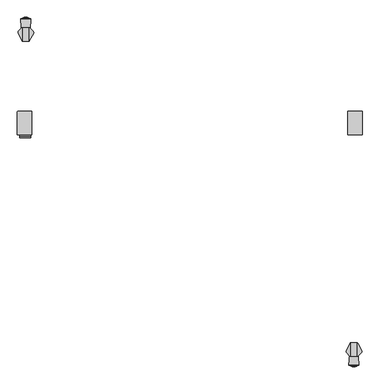
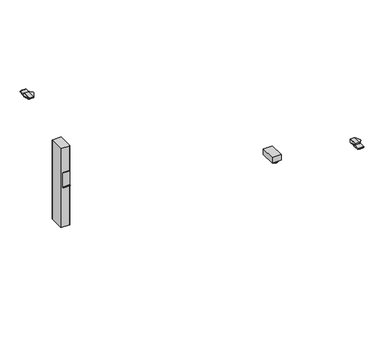
"""IFC4 building model written with IfcOpenShell, lengths in millimetres: furniture geometry."""

from ifc_helpers import new_model, si_unit, point, frame, frame_2d, origin, place, context, project, spatial, polyline, circle_curve, ellipse_curve, trimmed, segment, composite_curve, outline, extrude, faceted_brep, source, transform, mapped, element, save
from ifc_brep_helpers import plane_surface, cylinder_surface, revolved_surface, advanced_brep


def furniture_ce38fd53(model_context):
    return source(origin(), model_context, "Body", "SolidModel", [
        advanced_brep(
        [(696.976, 671.3030475, 10.2361894), (696.976, 657.2832975, 10.2361894), (696.976, 657.6704727, 8.7946116), (696.976, 670.9158723, 8.7946116), (696.976, 664.2931725, 10.2361894), (696.976, 685.2500609, 0.0), (696.976, 643.3362842, 0.0), (696.976, 664.2931725, 0.0), (696.976, 686.7937912, 1.5436985), (696.976, 641.7925538, 1.5436985), (696.976, 686.7937365, 4.1072626), (696.976, 641.7926085, 4.1072626), (696.976, 685.2538961, 5.9174378), (696.976, 643.3324489, 5.9174378)],
        [
            (0, 1, circle_curve(frame((696.976, 664.2931725, 10.2361894), z_axis=(0.0, 0.0, -1.0), x_axis=(0.0, -1.0000000000000004, 0.0)), 7.009875)),
            (1, 2),
            (2, 3, circle_curve(frame((696.976, 664.2931725, 8.7946116), z_axis=(0.0, 0.0, 1.0), x_axis=(0.0, -1.0000000000000004, 0.0)), 6.6226998)),
            (3, 0),
            (1, 0, circle_curve(frame((696.976, 664.2931725, 10.2361894), z_axis=(0.0, 0.0, -1.0), x_axis=(0.0, -1.0000000000000004, 0.0)), 7.009875)),
            (3, 2, circle_curve(frame((696.976, 664.2931725, 8.7946116), z_axis=(0.0, 0.0, 1.0), x_axis=(0.0, -1.0000000000000004, 0.0)), 6.6226998)),
            (4, 1),
            (0, 4),
            (5, 6, circle_curve(frame((696.976, 664.2931725, 0.0), z_axis=(0.0, 0.0, -1.0), x_axis=(0.0, -1.0000000000000004, 0.0)), 20.9568884)),
            (6, 7),
            (7, 5),
            (6, 5, circle_curve(frame((696.976, 664.2931725, 0.0), z_axis=(0.0, 0.0, -1.0), x_axis=(0.0, -1.0000000000000004, 0.0)), 20.9568884)),
            (8, 9, circle_curve(frame((696.976, 664.2931725, 1.5436985), z_axis=(0.0, 0.0, -1.0), x_axis=(0.0, -1.0000000000000004, 0.0)), 22.5006187)),
            (9, 6),
            (5, 8),
            (9, 8, circle_curve(frame((696.976, 664.2931725, 1.5436985), z_axis=(0.0, 0.0, -1.0), x_axis=(0.0, -1.0000000000000004, 0.0)), 22.5006187)),
            (10, 11, circle_curve(frame((696.976, 664.2931725, 4.1072626), z_axis=(0.0, 0.0, -1.0), x_axis=(0.0, -1.0000000000000004, 0.0)), 22.500564)),
            (11, 9),
            (8, 10),
            (11, 10, circle_curve(frame((696.976, 664.2931725, 4.1072626), z_axis=(0.0, 0.0, -1.0), x_axis=(0.0, -1.0000000000000004, 0.0)), 22.500564)),
            (12, 13, circle_curve(frame((696.976, 664.2931725, 5.9174378), z_axis=(0.0, 0.0, -1.0), x_axis=(0.0, -1.0000000000000004, 0.0)), 20.9607236)),
            (13, 11),
            (10, 12),
            (13, 12, circle_curve(frame((696.976, 664.2931725, 5.9174378), z_axis=(0.0, 0.0, -1.0), x_axis=(0.0, -1.0000000000000004, 0.0)), 20.9607236)),
            (2, 13),
            (12, 3),
        ],
        [
            revolved_surface(polyline([(696.976, 657.6704727, 8.7946116), (696.976, 657.2832975, 10.2361894)]), (696.976, 664.2931725, 0.0), (0.0, 0.0, 1.0)),
            plane_surface(frame((696.976, 664.2931725, 10.2361894), z_axis=(0.0, 0.0, 1.0), x_axis=(0.0, -1.0, 0.0))),
            plane_surface(frame((696.976, 664.2931725, 0.0), z_axis=(0.0, 0.0, -1.0), x_axis=(0.0, -1.0, 0.0))),
            revolved_surface(polyline([(696.976, 643.3362842, 0.0), (696.976, 641.7925538, 1.5436985)]), (696.976, 664.2931725, 0.0), (0.0, 0.0, 1.0)),
            cylinder_surface(frame((696.976, 664.2931725, 0.0), z_axis=(0.0, 0.0, 1.0), x_axis=(0.0, -1.0000000000000004, 0.0)), 22.500564),
            revolved_surface(polyline([(696.976, 641.792463, 4.1072626), (696.976, 643.3324489, 5.9174378)]), (696.976, 664.2931725, 0.0), (0.0, 0.0, 1.0)),
            revolved_surface(polyline([(696.976, 643.3324489, 5.9174378), (696.976, 657.6704727, 8.7946116)]), (696.976, 664.2931725, 0.0), (0.0, 0.0, 1.0)),
        ],
        [
            (0, [[1, 2, 3, 4]]),
            (0, [[5, -4, 6, -2]]),
            (1, [[7, -1, 8]]),
            (1, [[-8, -5, -7]]),
            (2, [[9, 10, 11]]),
            (2, [[12, -11, -10]]),
            (3, [[13, 14, -9, 15]]),
            (3, [[16, -15, -12, -14]]),
            (4, [[17, 18, -13, 19]]),
            (4, [[20, -19, -16, -18]]),
            (5, [[21, 22, -17, 23]]),
            (5, [[24, -23, -20, -22]]),
            (6, [[-3, 25, -21, 26]]),
            (6, [[-6, -26, -24, -25]]),
        ],
    ),
        extrude(outline(polyline([(667.0675, 639.5370001), (667.0675, 738.9199959), (726.8845, 738.9199959), (726.8845, 639.5370001), (667.0675, 639.5370001)])), frame((0.0, 0.0, 10.2361894), z_axis=(0.0, 0.0, 1.0), x_axis=(1.0, 0.0, 0.0)), (0.0, 0.0, 1.0), 37.8638679),
        extrude(outline(composite_curve([segment(trimmed(circle_curve(frame_2d((-724.5521079, 641.6631049)), 2.3323921), [point((-724.5521079, 639.3307128))], [point((-726.8845, 641.6631049))], False, "CARTESIAN"), True, "CONTINUOUS"), segment(polyline([(-726.8845, 641.6631049), (-726.8845, 736.9473207)]), True, "CONTINUOUS"), segment(trimmed(circle_curve(frame_2d((-724.5521079, 736.9473207)), 2.3323921), [point((-726.8845, 736.9473207))], [point((-724.5521079, 739.2797128))], False, "CARTESIAN"), True, "CONTINUOUS"), segment(polyline([(-724.5521079, 739.2797128), (-669.3998921, 739.2797128)]), True, "CONTINUOUS"), segment(trimmed(circle_curve(frame_2d((-669.3998921, 736.9473207)), 2.3323921), [point((-669.3998921, 739.2797128))], [point((-667.0675, 736.9473207))], False, "CARTESIAN"), True, "CONTINUOUS"), segment(polyline([(-667.0675, 736.9473207), (-667.0675, 641.6631049)]), True, "CONTINUOUS"), segment(trimmed(circle_curve(frame_2d((-669.3998921, 641.6631049)), 2.3323921), [point((-667.0675, 641.6631049))], [point((-669.3998921, 639.3307128))], False, "CARTESIAN"), True, "CONTINUOUS"), segment(polyline([(-669.3998921, 639.3307128), (-724.5521079, 639.3307128)]), True, "CONTINUOUS")], self_intersect=False)), frame((0.0, 0.0, 48.1000573), z_axis=(0.0, 0.0, 1.0), x_axis=(1.0, 0.0, 0.0)), (0.0, 0.0, 1.0), 550.9989485),
        advanced_brep(
        [(-677.6331697, 1035.3628978, 707.009), (-677.6331697, 1035.3628978, 699.7601819), (-676.51166, 1035.3628978, 699.6867914), (-676.51166, 1035.3628978, 707.009), (-673.3278093, 1090.8360352, 703.3228106), (-673.4778673, 1090.8360352, 701.0297138), (-673.8572398, 1090.8360352, 699.5130886), (-677.6331697, 1090.8360352, 699.7601819), (-677.6331697, 1090.8360352, 707.009), (-672.9573081, 1090.8360352, 707.009), (-672.9573081, 1090.8360352, 703.6693631), (-659.2556977, 1066.9139656, 707.009), (-659.2556977, 1072.0993849, 707.009), (-661.1637879, 1075.6879807, 707.009), (-672.9573081, 1088.8863381, 707.009), (-659.5338057, 1066.4054686, 706.0591307), (-659.5338057, 1073.0132102, 706.0591307), (-660.124758, 1065.3249623, 705.2654291), (-660.124758, 1074.2706593, 705.2654291), (-661.0021754, 1063.7206789, 704.7271625), (-661.0021754, 1075.5057944, 704.7271625), (-663.834924, 1058.5412376, 704.5095886), (-663.834924, 1078.6773009, 704.5095886), (-661.1637879, 1075.6879807, 704.7147496), (-672.05964, 1043.50304, 704.5090072), (-672.05964, 1087.8817403, 704.5090072), (-673.3278093, 1041.1842996, 703.3228106), (-672.9573081, 1088.8863381, 703.6693631), (-673.4778673, 1040.9099312, 701.0297138), (-673.8572398, 1040.2162807, 699.5130886)],
        [
            (0, 1),
            (1, 2),
            (2, 3),
            (3, 0),
            (4, 5),
            (5, 6),
            (6, 7),
            (7, 8),
            (8, 9),
            (9, 10),
            (10, 4),
            (8, 0),
            (3, 11),
            (11, 12),
            (12, 13, circle_curve(frame((-667.1824137, 1070.1862479, 707.009), z_axis=(0.0, 0.0, 1.0), x_axis=(-1.0000000000000004, 0.0, 0.0)), 8.1543192)),
            (13, 14),
            (14, 9),
            (11, 15),
            (15, 16),
            (16, 12, ellipse_curve(frame((-667.1824137, 1070.1862479, 679.9355466), z_axis=(0.9597108497777287, 0.0, -0.28098947456961787), x_axis=(-0.28098947456961787, 0.0, -0.9597108497777287)), 29.0200165, 8.1543192)),
            (15, 17),
            (17, 18),
            (18, 16, ellipse_curve(frame((-667.1824137, 1070.1862479, 695.7863691), z_axis=(0.8020925083963487, 0.0, -0.5971998057387943), x_axis=(-0.5971998057387944, 0.0, -0.8020925083963485)), 13.6542563, 8.1543192)),
            (17, 19),
            (19, 20),
            (20, 18, ellipse_curve(frame((-667.1824137, 1070.1862479, 700.9357905), z_axis=(0.5229113139159308, 0.0, -0.8523870938597763), x_axis=(-0.8523870938597765, 0.0, -0.5229113139159306)), 9.5664508, 8.1543192)),
            (19, 21),
            (21, 22),
            (22, 23),
            (23, 20, ellipse_curve(frame((-667.1824137, 1070.1862479, 704.2524791), z_axis=(0.07658109560408619, 0.0, -0.9970633559589269), x_axis=(-0.9970633559589269, 0.0, -0.07658109560408602)), 8.178336, 8.1543192)),
            (21, 24),
            (24, 25),
            (25, 22),
            (26, 4),
            (10, 27),
            (27, 25),
            (24, 26),
            (26, 28),
            (28, 5),
            (28, 29),
            (29, 6),
            (29, 2),
            (1, 7),
            (27, 14),
            (13, 23),
        ],
        [
            plane_surface(frame((-677.6331697, 1035.3628978, 699.5916475), z_axis=(0.0, -1.0, 0.0), x_axis=(0.0, 0.0, -1.0))),
            plane_surface(frame((-677.6331697, 1090.8360352, 699.5916475), z_axis=(0.0, 1.0, 0.0), x_axis=(0.0, 0.0, 1.0))),
            plane_surface(frame((-659.2556977, 1035.3628978, 707.009), z_axis=(0.0, 0.0, 1.0), x_axis=(0.0, 1.0, 0.0))),
            plane_surface(frame((-659.5338057, 1035.3628978, 706.0591307), z_axis=(0.9597108497777287, 0.0, -0.28098947456961787), x_axis=(0.0, 1.0, 0.0))),
            plane_surface(frame((-660.124758, 1035.3628978, 705.2654291), z_axis=(0.8020925083963485, 0.0, -0.5971998057387942), x_axis=(0.0, 1.0, 0.0))),
            plane_surface(frame((-661.0021754, 1035.3628978, 704.7271625), z_axis=(0.5229113139159308, 0.0, -0.8523870938597763), x_axis=(0.0, 1.0, 0.0))),
            plane_surface(frame((-663.834924, 1035.3628978, 704.5095886), z_axis=(0.07658109560408619, 0.0, -0.9970633559589269), x_axis=(0.0, 1.0, 0.0))),
            plane_surface(frame((-672.05964, 1035.3628978, 704.5090072), z_axis=(7.068449081192282e-05, 0.0, -0.9999999975018514), x_axis=(0.0, 1.0, 0.0))),
            plane_surface(frame((-673.3278093, 1035.3628978, 703.3228106), z_axis=(0.6831094450823832, 0.0, -0.7303160179259652), x_axis=(0.0, 1.0, 0.0))),
            plane_surface(frame((-673.4778673, 1035.3628978, 701.0297138), z_axis=(0.9978657180161974, 0.0, -0.06529937831265216), x_axis=(0.0, 1.0, 0.0))),
            plane_surface(frame((-673.8572398, 1035.3628978, 699.5130886), z_axis=(0.9701099565798296, 0.0, -0.24266576220118338), x_axis=(0.0, 1.0, 0.0))),
            plane_surface(frame((-677.6331697, 1035.3628978, 699.7601819), z_axis=(-0.0652993783126831, 0.0, -0.9978657180161954), x_axis=(0.0, 1.0, 0.0))),
            plane_surface(frame((-677.6331697, 1035.3628978, 707.009), z_axis=(-1.0, 0.0, 0.0), x_axis=(0.0, 1.0, 0.0))),
            plane_surface(frame((-658.8963549, 1067.5709936, 736.9304045), z_axis=(0.8773539056662267, -0.4798438539902514, 0.0), x_axis=(0.0, 0.0, -1.0))),
            plane_surface(frame((-672.9573081, 1088.8863381, 713.8028547), z_axis=(0.7456773398656481, 0.666307215037396, 0.0), x_axis=(0.0, 0.0, -1.0))),
            plane_surface(frame((-672.9573081, 1092.0626644, 713.8028547), z_axis=(1.0, 0.0, 0.0), x_axis=(0.0, 0.0, -1.0))),
            cylinder_surface(frame((-667.1824137, 1070.1862479, 14.4554878), z_axis=(0.0, 0.0, -1.0), x_axis=(-1.0000000000000004, 0.0, 0.0)), 8.1543192),
        ],
        [
            (0, [[1, 2, 3, 4]]),
            (1, [[5, 6, 7, 8, 9, 10, 11]]),
            (2, [[12, -4, 13, 14, 15, 16, 17, -9]]),
            (3, [[18, 19, 20, -14]]),
            (4, [[21, 22, 23, -19]]),
            (5, [[24, 25, 26, -22]]),
            (6, [[27, 28, 29, 30, -25]]),
            (7, [[31, 32, 33, -28]]),
            (8, [[34, -11, 35, 36, -32, 37]]),
            (9, [[-5, -34, 38, 39]]),
            (10, [[-6, -39, 40, 41]]),
            (11, [[-7, -41, 42, -2, 43]]),
            (12, [[-1, -12, -8, -43]]),
            (13, [[-3, -42, -40, -38, -37, -31, -27, -24, -21, -18, -13]]),
            (14, [[44, -16, 45, -29, -33, -36]]),
            (15, [[-44, -35, -10, -17]]),
            (16, [[-15, -20, -23, -26, -30, -45]]),
        ],
    ),
        advanced_brep(
        [(-706.2096303, 1035.3628978, 699.7601819), (-706.2096303, 1035.3628978, 707.009), (-707.33114, 1035.3628978, 707.009), (-707.33114, 1035.3628978, 699.6867914), (-706.2096303, 1090.8360352, 707.009), (-706.2096303, 1090.8360352, 699.7601819), (-709.9855602, 1090.8360352, 699.5130886), (-710.3649327, 1090.8360352, 701.0297138), (-710.5149907, 1090.8360352, 703.3228106), (-710.8854919, 1090.8360352, 703.6693631), (-710.8854919, 1090.8360352, 707.009), (-710.8854919, 1088.8863381, 707.009), (-722.6790121, 1075.6879807, 707.009), (-724.5871023, 1072.0993849, 707.009), (-724.5871023, 1066.9139656, 707.009), (-724.3089943, 1066.4054686, 706.0591307), (-724.3089943, 1073.0132102, 706.0591307), (-723.718042, 1065.3249623, 705.2654291), (-723.718042, 1074.2706593, 705.2654291), (-722.8406246, 1063.7206789, 704.7271625), (-722.8406246, 1075.5057944, 704.7271625), (-720.007876, 1058.5412376, 704.5095886), (-722.6790121, 1075.6879807, 704.7147496), (-720.007876, 1078.6773009, 704.5095886), (-711.78316, 1043.50304, 704.5090072), (-711.78316, 1087.8817403, 704.5090072), (-710.5149907, 1041.1842996, 703.3228106), (-710.8854919, 1088.8863381, 703.6693631), (-710.3649327, 1040.9099312, 701.0297138), (-709.9855602, 1040.2162807, 699.5130886)],
        [
            (0, 1),
            (1, 2),
            (2, 3),
            (3, 0),
            (4, 5),
            (5, 6),
            (6, 7),
            (7, 8),
            (8, 9),
            (9, 10),
            (10, 4),
            (1, 4),
            (10, 11),
            (11, 12),
            (12, 13, circle_curve(frame((-716.6603863, 1070.1862479, 707.009), z_axis=(0.0, 0.0, 1.0), x_axis=(1.0000000000000004, 0.0, 0.0)), 8.1543192)),
            (13, 14),
            (14, 2),
            (15, 14),
            (13, 16, ellipse_curve(frame((-716.6603863, 1070.1862479, 679.9355466), z_axis=(-0.9597108497777287, 0.0, -0.28098947456961787), x_axis=(0.28098947456961787, 0.0, -0.9597108497777287)), 29.0200165, 8.1543192)),
            (16, 15),
            (17, 15),
            (16, 18, ellipse_curve(frame((-716.6603863, 1070.1862479, 695.7863691), z_axis=(-0.8020925083963487, 0.0, -0.5971998057387943), x_axis=(0.5971998057387944, 0.0, -0.8020925083963485)), 13.6542563, 8.1543192)),
            (18, 17),
            (19, 17),
            (18, 20, ellipse_curve(frame((-716.6603863, 1070.1862479, 700.9357905), z_axis=(-0.5229113139159308, 0.0, -0.8523870938597763), x_axis=(0.8523870938597765, 0.0, -0.5229113139159306)), 9.5664508, 8.1543192)),
            (20, 19),
            (21, 19),
            (20, 22, ellipse_curve(frame((-716.6603863, 1070.1862479, 704.2524791), z_axis=(-0.07658109560408913, 0.0, -0.9970633559589267), x_axis=(0.9970633559589267, 0.0, -0.07658109560408889)), 8.178336, 8.1543192)),
            (22, 23),
            (23, 21),
            (24, 21),
            (23, 25),
            (25, 24),
            (8, 26),
            (26, 24),
            (25, 27),
            (27, 9),
            (7, 28),
            (28, 26),
            (6, 29),
            (29, 28),
            (5, 0),
            (3, 29),
            (11, 27),
            (22, 12),
        ],
        [
            plane_surface(frame((-708.2451645, 1035.3628978, 707.009), z_axis=(0.0, -1.0, 0.0), x_axis=(-1.0, 0.0, 0.0))),
            plane_surface(frame((-708.2451645, 1090.8360352, 707.009), z_axis=(0.0, 1.0, 0.0), x_axis=(1.0, 0.0, 0.0))),
            plane_surface(frame((-706.2096303, 1035.3628978, 707.009), z_axis=(0.0, 0.0, 1.0), x_axis=(0.0, 1.0, 0.0))),
            plane_surface(frame((-724.5871023, 1035.3628978, 707.009), z_axis=(-0.9597108497777287, 0.0, -0.28098947456961787), x_axis=(0.0, 1.0, 0.0))),
            plane_surface(frame((-724.3089943, 1035.3628978, 706.0591307), z_axis=(-0.8020925083963485, 0.0, -0.5971998057387942), x_axis=(0.0, 1.0, 0.0))),
            plane_surface(frame((-723.718042, 1035.3628978, 705.2654291), z_axis=(-0.5229113139159308, 0.0, -0.8523870938597763), x_axis=(0.0, 1.0, 0.0))),
            plane_surface(frame((-722.8406246, 1035.3628978, 704.7271625), z_axis=(-0.07658109560408913, 0.0, -0.9970633559589267), x_axis=(0.0, 1.0, 0.0))),
            plane_surface(frame((-720.007876, 1035.3628978, 704.5095886), z_axis=(-7.068449081192188e-05, 0.0, -0.9999999975018514), x_axis=(0.0, 1.0, 0.0))),
            plane_surface(frame((-711.78316, 1035.3628978, 704.5090072), z_axis=(-0.683109445082383, 0.0, -0.7303160179259655), x_axis=(0.0, 1.0, 0.0))),
            plane_surface(frame((-710.5149907, 1035.3628978, 703.3228106), z_axis=(-0.9978657180161974, 0.0, -0.06529937831265216), x_axis=(0.0, 1.0, 0.0))),
            plane_surface(frame((-710.3649327, 1035.3628978, 701.0297138), z_axis=(-0.9701099565798296, 0.0, -0.24266576220118338), x_axis=(0.0, 1.0, 0.0))),
            plane_surface(frame((-709.9855602, 1035.3628978, 699.5130886), z_axis=(0.06529937831268308, 0.0, -0.9978657180161954), x_axis=(0.0, 1.0, 0.0))),
            plane_surface(frame((-706.2096303, 1035.3628978, 699.7601819), z_axis=(1.0, 0.0, 0.0), x_axis=(0.0, 1.0, 0.0))),
            plane_surface(frame((-707.33114, 1035.3628978, 736.9304045), z_axis=(-0.8773539056662298, -0.47984385399024576, 0.0), x_axis=(0.0, 0.0, -1.0))),
            plane_surface(frame((-722.6790121, 1075.6879807, 713.8028547), z_axis=(-0.7456773398656439, 0.6663072150374009, 0.0), x_axis=(0.0, 0.0, -1.0))),
            plane_surface(frame((-710.8854919, 1088.8863381, 713.8028547), z_axis=(-1.0, 0.0, 0.0), x_axis=(0.0, 0.0, -1.0))),
            cylinder_surface(frame((-716.6603863, 1070.1862479, 14.4554878), z_axis=(0.0, 0.0, -1.0), x_axis=(1.0000000000000004, 0.0, 0.0)), 8.1543192),
        ],
        [
            (0, [[1, 2, 3, 4]]),
            (1, [[5, 6, 7, 8, 9, 10, 11]]),
            (2, [[12, -11, 13, 14, 15, 16, 17, -2]]),
            (3, [[18, -16, 19, 20]]),
            (4, [[21, -20, 22, 23]]),
            (5, [[24, -23, 25, 26]]),
            (6, [[27, -26, 28, 29, 30]]),
            (7, [[31, -30, 32, 33]]),
            (8, [[34, 35, -33, 36, 37, -9]]),
            (9, [[-8, 38, 39, -34]]),
            (10, [[-7, 40, 41, -38]]),
            (11, [[-6, 42, -4, 43, -40]]),
            (12, [[-1, -42, -5, -12]]),
            (13, [[-3, -17, -18, -21, -24, -27, -31, -35, -39, -41, -43]]),
            (14, [[44, -36, -32, -29, 45, -14]]),
            (15, [[-44, -13, -10, -37]]),
            (16, [[-15, -45, -28, -25, -22, -19]]),
        ],
    ),
        advanced_brep(
        [(-675.4317452, 1071.8221186, 687.5130243), (-675.4317452, 1075.6963371, 686.7270984), (-675.4317452, 1077.8255676, 686.4538593), (-675.4317452, 1079.7968499, 686.3113535), (-675.4317452, 1081.8293203, 686.3263235), (-675.4317452, 1083.869203, 686.5748548), (-675.4317452, 1091.5328704, 699.5916475), (-675.4317452, 1090.6843394, 707.009), (-675.4317452, 1054.9216668, 707.009), (-675.4317452, 1054.9216668, 691.5486428), (-708.2451645, 1090.6843394, 707.009), (-708.2451645, 1091.5328704, 699.5916475), (-708.2451645, 1083.869203, 686.5748548), (-708.2451645, 1081.8293203, 686.3263235), (-708.2451645, 1079.7968499, 686.3113535), (-708.2451645, 1077.8255676, 686.4538593), (-708.2451645, 1075.6963371, 686.7270984), (-708.2451645, 1071.8221186, 687.5130243), (-708.2451645, 1056.0256731, 691.2850198), (-708.2451645, 1056.0256731, 707.009), (-707.3063131, 1035.6569697, 707.009), (-705.6193974, 1034.3300757, 707.009), (-678.0066255, 1034.3300757, 707.009), (-676.3197098, 1035.6569697, 707.009), (-706.4875126, 1034.5633827, 703.6727211), (-677.1385102, 1034.5633827, 703.6727211), (-706.8291096, 1034.8218335, 702.077615), (-676.7969133, 1034.8218335, 702.077615), (-707.1802739, 1035.3072326, 700.5540161), (-676.445749, 1035.3072326, 700.5540161), (-707.3063131, 1035.6569697, 699.8612029), (-707.3229046, 1036.0169277, 699.1481426), (-676.3031183, 1036.0169277, 699.1481426), (-676.3197098, 1035.6569697, 699.8612029), (-707.3646804, 1036.9232677, 697.8897165), (-676.2613425, 1036.9232677, 697.8897165), (-707.4167075, 1038.0520142, 696.7530853), (-676.2093154, 1038.0520142, 696.7530853), (-707.541025, 1040.7491243, 695.0864719), (-676.0849979, 1040.7491243, 695.0864719), (-707.6116573, 1042.2815162, 694.5669542), (-676.0143656, 1042.2815162, 694.5669542)],
        [
            (0, 1),
            (1, 2),
            (2, 3),
            (3, 4),
            (4, 5),
            (5, 6),
            (6, 7),
            (7, 8),
            (8, 9),
            (9, 0),
            (10, 11),
            (11, 12),
            (12, 13),
            (13, 14),
            (14, 15),
            (15, 16),
            (16, 17),
            (17, 18),
            (18, 19),
            (19, 10),
            (7, 10),
            (19, 20),
            (20, 21, circle_curve(frame((-705.6177592, 1036.0679158, 707.009), z_axis=(0.0, 0.0, 1.0), x_axis=(1.0000000000000004, 0.0, 0.0)), 1.7378408)),
            (21, 22),
            (22, 23, circle_curve(frame((-678.0082636, 1036.0679158, 707.009), z_axis=(0.0, 0.0, 1.0), x_axis=(-1.0000000000000004, 0.0, 0.0)), 1.7378408)),
            (23, 8),
            (21, 24, ellipse_curve(frame((-705.6177592, 1036.0679158, 682.1579681), z_axis=(0.0, -0.997563808233696, -0.06975993479273002), x_axis=(0.0, 0.06975993479273002, -0.997563808233696)), 24.9117327, 1.7378408)),
            (24, 25),
            (25, 22, ellipse_curve(frame((-678.0082636, 1036.0679158, 682.1579681), z_axis=(0.0, -0.997563808233696, -0.06975993479273002), x_axis=(0.0, 0.06975993479273002, -0.997563808233696)), 24.9117327, 1.7378408)),
            (24, 26, ellipse_curve(frame((-705.6177592, 1036.0679158, 694.3870466), z_axis=(0.0, -0.9871264986508672, -0.15994147573809486), x_axis=(0.0, 0.15994147573809486, -0.9871264986508672)), 10.8654796, 1.7378408)),
            (26, 27),
            (27, 25, ellipse_curve(frame((-678.0082636, 1036.0679158, 694.3870466), z_axis=(0.0, -0.9871264986508672, -0.15994147573809486), x_axis=(0.0, 0.15994147573809486, -0.9871264986508672)), 10.8654796, 1.7378408)),
            (26, 28, ellipse_curve(frame((-705.6177592, 1036.0679158, 698.1663399), z_axis=(0.0, -0.9528141049574114, -0.3035544125757477), x_axis=(0.0, 0.3035544125757477, -0.9528141049574111)), 5.7249731, 1.7378408)),
            (28, 29),
            (29, 27, ellipse_curve(frame((-678.0082636, 1036.0679158, 698.1663399), z_axis=(0.0, -0.9528141049574114, -0.3035544125757477), x_axis=(0.0, 0.3035544125757477, -0.9528141049574111)), 5.7249731, 1.7378408)),
            (30, 31),
            (31, 32),
            (32, 33),
            (33, 29, ellipse_curve(frame((-678.0082636, 1036.0679158, 699.0471375), z_axis=(0.0, -0.8927040411549354, -0.45064342323576334), x_axis=(0.0, 0.45064342323576334, -0.8927040411549354)), 3.8563546, 1.7378408)),
            (28, 30, ellipse_curve(frame((-705.6177592, 1036.0679158, 699.0471375), z_axis=(0.0, -0.8927040411549354, -0.45064342323576334), x_axis=(0.0, 0.45064342323576334, -0.8927040411549354)), 3.8563546, 1.7378408)),
            (31, 34),
            (34, 35),
            (35, 32),
            (34, 36),
            (36, 37),
            (37, 35),
            (36, 38),
            (38, 39),
            (39, 37),
            (38, 40),
            (40, 41),
            (41, 39),
            (17, 0),
            (9, 41),
            (40, 18),
            (16, 1),
            (15, 2),
            (14, 3),
            (13, 4),
            (12, 5),
            (11, 6),
            (30, 20),
            (23, 33),
        ],
        [
            plane_surface(frame((-675.4317452, 1076.1473996, 707.009), z_axis=(1.0, 0.0, 0.0), x_axis=(0.0, -1.0, 0.0))),
            plane_surface(frame((-708.2451645, 1076.1473996, 707.009), z_axis=(-1.0, 0.0, 0.0), x_axis=(0.0, 1.0, 0.0))),
            plane_surface(frame((-675.4317452, 1090.6843394, 707.009), z_axis=(0.0, 0.0, 1.0), x_axis=(-1.0, 0.0, 0.0))),
            plane_surface(frame((-675.4317452, 1034.3300757, 707.009), z_axis=(0.0, -0.997563808233696, -0.06975993479273002), x_axis=(-1.0, 0.0, 0.0))),
            plane_surface(frame((-675.4317452, 1034.5633827, 703.6727211), z_axis=(0.0, -0.9871264986508672, -0.15994147573809486), x_axis=(-1.0, 0.0, 0.0))),
            plane_surface(frame((-675.4317452, 1034.8218335, 702.077615), z_axis=(0.0, -0.9528141049574114, -0.3035544125757477), x_axis=(-1.0, 0.0, 0.0))),
            plane_surface(frame((-675.4317452, 1035.3072326, 700.5540161), z_axis=(0.0, -0.8927040411549354, -0.45064342323576334), x_axis=(-1.0, 0.0, 0.0))),
            plane_surface(frame((-675.4317452, 1036.0169277, 699.1481426), z_axis=(0.0, -0.8114507875380343, -0.5844207554526992), x_axis=(-1.0, 0.0, 0.0))),
            plane_surface(frame((-675.4317452, 1036.9232677, 697.8897165), z_axis=(0.0, -0.7095635828811538, -0.704641413662907), x_axis=(-1.0, 0.0, 0.0))),
            plane_surface(frame((-675.4317452, 1038.0520142, 696.7530853), z_axis=(0.0, -0.5256643953018257, -0.8506920379972802), x_axis=(-1.0, 0.0, 0.0))),
            plane_surface(frame((-675.4317452, 1040.7491243, 695.0864719), z_axis=(0.0, -0.32107410172322687, -0.9470540751206464), x_axis=(-1.0, 0.0, 0.0))),
            plane_surface(frame((-675.4317452, 1042.2815162, 694.5669542), z_axis=(0.0, -0.23225778917580214, -0.9726542650742702), x_axis=(-1.0, 0.0, 0.0))),
            plane_surface(frame((-675.4317452, 1071.8221186, 687.5130243), z_axis=(0.0, -0.1988109622365402, -0.9800378570721546), x_axis=(-1.0, 0.0, 0.0))),
            plane_surface(frame((-675.4317452, 1075.6963371, 686.7270984), z_axis=(0.0, -0.12728387031952282, -0.9918663298834591), x_axis=(-1.0, 0.0, 0.0))),
            plane_surface(frame((-675.4317452, 1077.8255676, 686.4538593), z_axis=(0.0, -0.07210277493300893, -0.997397207659496), x_axis=(-1.0, 0.0, 0.0))),
            plane_surface(frame((-675.4317452, 1079.7968499, 686.3113535), z_axis=(0.0, 0.007365229187275849, -0.9999728763316628), x_axis=(-1.0, 0.0, 0.0))),
            plane_surface(frame((-675.4317452, 1081.8293203, 686.3263235), z_axis=(0.0, 0.12094176610084176, -0.992659603898743), x_axis=(-1.0, 0.0, 0.0))),
            plane_surface(frame((-675.4317452, 1083.869203, 686.5748548), z_axis=(0.0, 0.8617394273144984, -0.5073511204399574), x_axis=(-1.0, 0.0, 0.0))),
            plane_surface(frame((-675.4317452, 1091.5328704, 699.5916475), z_axis=(0.0, 0.9935200698495489, 0.11365681152551964), x_axis=(-1.0, 0.0, 0.0))),
            plane_surface(frame((-707.3063131, 1035.6569697, 720.4978518), z_axis=(-0.9989394147117107, -0.04604395438518504, 0.0), x_axis=(0.0, 0.0, -1.0))),
            cylinder_surface(frame((-705.6177592, 1036.0679158, 677.6853687), z_axis=(0.0, 0.0, -1.0), x_axis=(1.0000000000000004, 0.0, 0.0)), 1.7378408),
            plane_surface(frame((-673.6404627, 1093.784156, 720.4978518), z_axis=(0.9989394147117103, -0.04604395438519144, 0.0), x_axis=(0.0, 0.0, -1.0))),
            cylinder_surface(frame((-678.0082636, 1036.0679158, 677.6853687), z_axis=(0.0, 0.0, -1.0), x_axis=(-1.0000000000000004, 0.0, 0.0)), 1.7378408),
        ],
        [
            (0, [[1, 2, 3, 4, 5, 6, 7, 8, 9, 10]]),
            (1, [[11, 12, 13, 14, 15, 16, 17, 18, 19, 20]]),
            (2, [[21, -20, 22, 23, 24, 25, 26, -8]]),
            (3, [[27, 28, 29, -24]]),
            (4, [[30, 31, 32, -28]]),
            (5, [[33, 34, 35, -31]]),
            (6, [[36, 37, 38, 39, -34, 40]]),
            (7, [[41, 42, 43, -37]]),
            (8, [[44, 45, 46, -42]]),
            (9, [[47, 48, 49, -45]]),
            (10, [[50, 51, 52, -48]]),
            (11, [[53, -10, 54, -51, 55, -18]]),
            (12, [[-1, -53, -17, 56]]),
            (13, [[-2, -56, -16, 57]]),
            (14, [[-3, -57, -15, 58]]),
            (15, [[-4, -58, -14, 59]]),
            (16, [[-5, -59, -13, 60]]),
            (17, [[-6, -60, -12, 61]]),
            (18, [[-7, -61, -11, -21]]),
            (19, [[62, -22, -19, -55, -50, -47, -44, -41, -36]]),
            (20, [[-62, -40, -33, -30, -27, -23]]),
            (21, [[63, -38, -43, -46, -49, -52, -54, -9, -26]]),
            (22, [[-63, -25, -29, -32, -35, -39]]),
        ],
    ),
        faceted_brep([(-674.201947, 1080.6279947, 699.023888), (-674.0056147, 1083.5645029, 699.8697046), (-709.5145074, 1083.5645029, 699.8697046), (-709.3791554, 1080.6279947, 699.023888), (-674.3465732, 1078.4648454, 697.1301699), (-709.2794497, 1078.4648454, 697.1301699), (-674.4145724, 1077.4477927, 694.8631571), (-709.2325708, 1077.4477927, 694.8631571), (-674.4293768, 1077.2263672, 693.5281368), (-709.2223647, 1077.2263672, 693.5281368), (-674.4261142, 1077.2751651, 692.246311), (-709.2246139, 1077.2751651, 692.246311), (-674.4106539, 1077.506401, 690.9650665), (-709.2352722, 1077.506401, 690.9650665), (-674.3493839, 1078.4228058, 689.126952), (-709.2775119, 1078.4228058, 689.126952), (-674.2326986, 1080.1680481, 687.4682596), (-709.3579551, 1080.1680481, 687.4682596), (-674.0544858, 1082.8335468, 686.4432495), (-709.4808155, 1082.8335468, 686.4432495), (-673.962786, 1084.2050837, 686.3717422), (-709.5440336, 1084.2050837, 686.3717422), (-671.0473822, 1127.8102709, 693.0389952), (-709.9855602, 1093.784156, 687.8363867), (-710.5204622, 1093.784156, 687.8363867), (-712.7954178, 1127.8102709, 693.0389952), (-671.0040016, 1128.4591078, 693.1389153), (-712.8387984, 1128.4591078, 693.1389153), (-711.416104, 1129.5267722, 693.3033343), (-708.0218056, 1130.7760783, 693.495726), (-675.8209944, 1130.7760783, 693.495726), (-672.426696, 1129.5267722, 693.3033343), (-681.0962098, 1132.7176749, 693.7930916), (-702.7465902, 1132.7176749, 693.7930916), (-685.3723762, 1134.2915613, 694.9280514), (-698.4704238, 1134.2915613, 694.9280514), (-685.0005958, 1134.1547238, 697.2254402), (-698.8422042, 1134.1547238, 697.2254402), (-680.5815491, 1132.5282488, 698.1600857), (-703.2612509, 1132.5282488, 698.1600857), (-673.1840778, 1129.8055343, 698.2561186), (-710.6587222, 1129.8055343, 698.2561186), (-671.0040016, 1128.4591078, 698.3031023), (-672.426696, 1129.5267722, 698.265846), (-711.416104, 1129.5267722, 698.265846), (-712.8387984, 1128.4591078, 698.3031023), (-710.5204622, 1093.784156, 699.5130886), (-709.9855602, 1093.784156, 699.5130886)], [[[0, 1, 2, 3]], [[4, 0, 3, 5]], [[6, 4, 5, 7]], [[8, 6, 7, 9]], [[10, 8, 9, 11]], [[12, 10, 11, 13]], [[14, 12, 13, 15]], [[16, 14, 15, 17]], [[18, 16, 17, 19]], [[20, 18, 19, 21]], [[22, 20, 21, 23, 24, 25]], [[26, 22, 25, 27, 28, 29, 30, 31]], [[32, 30, 29, 33]], [[34, 32, 33, 35]], [[36, 34, 35, 37]], [[38, 36, 37, 39]], [[40, 38, 39, 41]], [[1, 42, 43, 40, 41, 44, 45, 46, 47, 2]], [[26, 42, 1, 0, 4, 6, 8, 10, 12, 14, 16, 18, 20, 22]], [[43, 31, 30, 32, 34, 36, 38, 40]], [[42, 26, 31, 43]], [[47, 23, 21, 19, 17, 15, 13, 11, 9, 7, 5, 3, 2]], [[23, 47, 46, 24]], [[45, 27, 25, 24, 46]], [[28, 44, 41, 39, 37, 35, 33, 29]], [[44, 28, 27, 45]]]),
        advanced_brep(
        [(677.6331697, -236.8376979, 707.009), (677.6331697, -236.8376979, 699.7601819), (676.51166, -236.8376979, 699.6867914), (676.51166, -236.8376979, 707.009), (673.3278093, -292.3108353, 703.3228106), (673.4778673, -292.3108353, 701.0297138), (673.8572398, -292.3108353, 699.5130886), (677.6331697, -292.3108353, 699.7601819), (677.6331697, -292.3108353, 707.009), (672.9573081, -292.3108353, 707.009), (672.9573081, -292.3108353, 703.6693631), (659.2556977, -268.3887657, 707.009), (659.2556977, -273.574185, 707.009), (661.1637879, -277.1627808, 707.009), (672.9573081, -290.3611382, 707.009), (659.5338057, -267.8802687, 706.0591307), (659.5338057, -274.4880103, 706.0591307), (660.124758, -266.7997624, 705.2654291), (660.124758, -275.7454594, 705.2654291), (661.0021754, -265.195479, 704.7271625), (661.0021754, -276.9805945, 704.7271625), (663.834924, -260.0160377, 704.5095886), (663.834924, -280.152101, 704.5095886), (661.1637879, -277.1627808, 704.7147496), (672.05964, -244.9778401, 704.5090072), (672.05964, -289.3565404, 704.5090072), (673.3278093, -242.6590997, 703.3228106), (672.9573081, -290.3611382, 703.6693631), (673.4778673, -242.3847313, 701.0297138), (673.8572398, -241.6910808, 699.5130886)],
        [
            (0, 1),
            (1, 2),
            (2, 3),
            (3, 0),
            (4, 5),
            (5, 6),
            (6, 7),
            (7, 8),
            (8, 9),
            (9, 10),
            (10, 4),
            (8, 0),
            (3, 11),
            (11, 12),
            (12, 13, circle_curve(frame((667.1824137, -271.661048, 707.009), z_axis=(0.0, 0.0, 1.0), x_axis=(1.0, 0.0, 0.0)), 8.1543192)),
            (13, 14),
            (14, 9),
            (11, 15),
            (15, 16),
            (16, 12, ellipse_curve(frame((667.1824137, -271.661048, 679.9355466), z_axis=(-0.9597108497777287, 0.0, -0.28098947456961776), x_axis=(0.28098947456961776, 0.0, -0.9597108497777287)), 29.0200165, 8.1543192)),
            (15, 17),
            (17, 18),
            (18, 16, ellipse_curve(frame((667.1824137, -271.661048, 695.7863691), z_axis=(-0.8020925083963487, 0.0, -0.597199805738794), x_axis=(0.5971998057387942, 0.0, -0.8020925083963487)), 13.6542563, 8.1543192)),
            (17, 19),
            (19, 20),
            (20, 18, ellipse_curve(frame((667.1824137, -271.661048, 700.9357905), z_axis=(-0.5229113139159309, 0.0, -0.8523870938597762), x_axis=(0.8523870938597762, 0.0, -0.5229113139159307)), 9.5664508, 8.1543192)),
            (19, 21),
            (21, 22),
            (22, 23),
            (23, 20, ellipse_curve(frame((667.1824137, -271.661048, 704.2524791), z_axis=(-0.07658109560408621, 0.0, -0.9970633559589269), x_axis=(0.9970633559589269, 0.0, -0.076581095604086)), 8.178336, 8.1543192)),
            (21, 24),
            (24, 25),
            (25, 22),
            (26, 4),
            (10, 27),
            (27, 25),
            (24, 26),
            (26, 28),
            (28, 5),
            (28, 29),
            (29, 6),
            (29, 2),
            (1, 7),
            (27, 14),
            (13, 23),
        ],
        [
            plane_surface(frame((677.6331697, -236.8376979, 699.5916475), z_axis=(0.0, 1.0, 0.0), x_axis=(0.0, 0.0, -1.0))),
            plane_surface(frame((677.6331697, -292.3108353, 699.5916475), z_axis=(0.0, -1.0, 0.0), x_axis=(0.0, 0.0, 1.0))),
            plane_surface(frame((659.2556977, -236.8376979, 707.009), z_axis=(0.0, 0.0, 1.0), x_axis=(0.0, -1.0, 0.0))),
            plane_surface(frame((659.5338057, -236.8376979, 706.0591307), z_axis=(-0.9597108497777287, 0.0, -0.28098947456961776), x_axis=(0.0, -1.0, 0.0))),
            plane_surface(frame((660.124758, -236.8376979, 705.2654291), z_axis=(-0.8020925083963487, 0.0, -0.597199805738794), x_axis=(0.0, -1.0, 0.0))),
            plane_surface(frame((661.0021754, -236.8376979, 704.7271625), z_axis=(-0.5229113139159309, 0.0, -0.8523870938597762), x_axis=(0.0, -1.0, 0.0))),
            plane_surface(frame((663.834924, -236.8376979, 704.5095886), z_axis=(-0.07658109560408621, 0.0, -0.9970633559589269), x_axis=(0.0, -1.0, 0.0))),
            plane_surface(frame((672.05964, -236.8376979, 704.5090072), z_axis=(-7.068449081192285e-05, 0.0, -0.9999999975018514), x_axis=(0.0, -1.0, 0.0))),
            plane_surface(frame((673.3278093, -236.8376979, 703.3228106), z_axis=(-0.6831094450823834, 0.0, -0.730316017925965), x_axis=(0.0, -1.0, 0.0))),
            plane_surface(frame((673.4778673, -236.8376979, 701.0297138), z_axis=(-0.9978657180161974, 0.0, -0.06529937831265213), x_axis=(0.0, -1.0, 0.0))),
            plane_surface(frame((673.8572398, -236.8376979, 699.5130886), z_axis=(-0.9701099565798296, 0.0, -0.24266576220118327), x_axis=(0.0, -1.0, 0.0))),
            plane_surface(frame((677.6331697, -236.8376979, 699.7601819), z_axis=(0.06529937831268313, 0.0, -0.9978657180161954), x_axis=(0.0, -1.0, 0.0))),
            plane_surface(frame((677.6331697, -236.8376979, 707.009), z_axis=(1.0, 0.0, 0.0), x_axis=(0.0, -1.0, 0.0))),
            plane_surface(frame((658.8963549, -269.0457936, 736.9304045), z_axis=(-0.8773539056662283, 0.4798438539902486, 0.0), x_axis=(0.0, 0.0, -1.0))),
            plane_surface(frame((672.9573081, -290.3611382, 713.8028547), z_axis=(-0.745677339865646, -0.6663072150373984, 0.0), x_axis=(0.0, 0.0, -1.0))),
            plane_surface(frame((672.9573081, -293.5374645, 713.8028547), z_axis=(-1.0, 0.0, 0.0), x_axis=(0.0, 0.0, -1.0))),
            cylinder_surface(frame((667.1824137, -271.661048, 14.4554878), z_axis=(0.0, 0.0, -1.0), x_axis=(1.0, 0.0, 0.0)), 8.1543192),
        ],
        [
            (0, [[1, 2, 3, 4]]),
            (1, [[5, 6, 7, 8, 9, 10, 11]]),
            (2, [[12, -4, 13, 14, 15, 16, 17, -9]]),
            (3, [[18, 19, 20, -14]]),
            (4, [[21, 22, 23, -19]]),
            (5, [[24, 25, 26, -22]]),
            (6, [[27, 28, 29, 30, -25]]),
            (7, [[31, 32, 33, -28]]),
            (8, [[34, -11, 35, 36, -32, 37]]),
            (9, [[-5, -34, 38, 39]]),
            (10, [[-6, -39, 40, 41]]),
            (11, [[-7, -41, 42, -2, 43]]),
            (12, [[-1, -12, -8, -43]]),
            (13, [[-3, -42, -40, -38, -37, -31, -27, -24, -21, -18, -13]]),
            (14, [[44, -16, 45, -29, -33, -36]]),
            (15, [[-44, -35, -10, -17]]),
            (16, [[-15, -20, -23, -26, -30, -45]]),
        ],
    ),
        advanced_brep(
        [(706.2096303, -236.8376979, 699.7601819), (706.2096303, -236.8376979, 707.009), (707.33114, -236.8376979, 707.009), (707.33114, -236.8376979, 699.6867914), (706.2096303, -292.3108353, 707.009), (706.2096303, -292.3108353, 699.7601819), (709.9855602, -292.3108353, 699.5130886), (710.3649327, -292.3108353, 701.0297138), (710.5149907, -292.3108353, 703.3228106), (710.8854919, -292.3108353, 703.6693631), (710.8854919, -292.3108353, 707.009), (710.8854919, -290.3611382, 707.009), (722.6790121, -277.1627808, 707.009), (724.5871023, -273.574185, 707.009), (724.5871023, -268.3887657, 707.009), (724.3089943, -267.8802687, 706.0591307), (724.3089943, -274.4880103, 706.0591307), (723.718042, -266.7997624, 705.2654291), (723.718042, -275.7454594, 705.2654291), (722.8406246, -265.195479, 704.7271625), (722.8406246, -276.9805945, 704.7271625), (720.007876, -260.0160377, 704.5095886), (722.6790121, -277.1627808, 704.7147496), (720.007876, -280.152101, 704.5095886), (711.78316, -244.9778401, 704.5090072), (711.78316, -289.3565404, 704.5090072), (710.5149907, -242.6590997, 703.3228106), (710.8854919, -290.3611382, 703.6693631), (710.3649327, -242.3847313, 701.0297138), (709.9855602, -241.6910808, 699.5130886)],
        [
            (0, 1),
            (1, 2),
            (2, 3),
            (3, 0),
            (4, 5),
            (5, 6),
            (6, 7),
            (7, 8),
            (8, 9),
            (9, 10),
            (10, 4),
            (1, 4),
            (10, 11),
            (11, 12),
            (12, 13, circle_curve(frame((716.6603863, -271.661048, 707.009), z_axis=(0.0, 0.0, 1.0), x_axis=(-1.0, 0.0, 0.0)), 8.1543192)),
            (13, 14),
            (14, 2),
            (15, 14),
            (13, 16, ellipse_curve(frame((716.6603863, -271.661048, 679.9355466), z_axis=(0.9597108497777287, 0.0, -0.28098947456961776), x_axis=(-0.28098947456961776, 0.0, -0.9597108497777287)), 29.0200165, 8.1543192)),
            (16, 15),
            (17, 15),
            (16, 18, ellipse_curve(frame((716.6603863, -271.661048, 695.7863691), z_axis=(0.8020925083963487, 0.0, -0.597199805738794), x_axis=(-0.5971998057387942, 0.0, -0.8020925083963487)), 13.6542563, 8.1543192)),
            (18, 17),
            (19, 17),
            (18, 20, ellipse_curve(frame((716.6603863, -271.661048, 700.9357905), z_axis=(0.5229113139159309, 0.0, -0.8523870938597762), x_axis=(-0.8523870938597762, 0.0, -0.5229113139159307)), 9.5664508, 8.1543192)),
            (20, 19),
            (21, 19),
            (20, 22, ellipse_curve(frame((716.6603863, -271.661048, 704.2524791), z_axis=(0.07658109560408916, 0.0, -0.9970633559589267), x_axis=(-0.9970633559589266, 0.0, -0.07658109560408885)), 8.178336, 8.1543192)),
            (22, 23),
            (23, 21),
            (24, 21),
            (23, 25),
            (25, 24),
            (8, 26),
            (26, 24),
            (25, 27),
            (27, 9),
            (7, 28),
            (28, 26),
            (6, 29),
            (29, 28),
            (5, 0),
            (3, 29),
            (11, 27),
            (22, 12),
        ],
        [
            plane_surface(frame((708.2451645, -236.8376979, 707.009), z_axis=(0.0, 1.0, 0.0), x_axis=(1.0, 0.0, 0.0))),
            plane_surface(frame((708.2451645, -292.3108353, 707.009), z_axis=(0.0, -1.0, 0.0), x_axis=(-1.0, 0.0, 0.0))),
            plane_surface(frame((706.2096303, -236.8376979, 707.009), z_axis=(0.0, 0.0, 1.0), x_axis=(0.0, -1.0, 0.0))),
            plane_surface(frame((724.5871023, -236.8376979, 707.009), z_axis=(0.9597108497777287, 0.0, -0.28098947456961776), x_axis=(0.0, -1.0, 0.0))),
            plane_surface(frame((724.3089943, -236.8376979, 706.0591307), z_axis=(0.8020925083963487, 0.0, -0.597199805738794), x_axis=(0.0, -1.0, 0.0))),
            plane_surface(frame((723.718042, -236.8376979, 705.2654291), z_axis=(0.5229113139159309, 0.0, -0.8523870938597762), x_axis=(0.0, -1.0, 0.0))),
            plane_surface(frame((722.8406246, -236.8376979, 704.7271625), z_axis=(0.07658109560408916, 0.0, -0.9970633559589267), x_axis=(0.0, -1.0, 0.0))),
            plane_surface(frame((720.007876, -236.8376979, 704.5095886), z_axis=(7.068449081192191e-05, 0.0, -0.9999999975018514), x_axis=(0.0, -1.0, 0.0))),
            plane_surface(frame((711.78316, -236.8376979, 704.5090072), z_axis=(0.6831094450823831, 0.0, -0.7303160179259652), x_axis=(0.0, -1.0, 0.0))),
            plane_surface(frame((710.5149907, -236.8376979, 703.3228106), z_axis=(0.9978657180161974, 0.0, -0.06529937831265213), x_axis=(0.0, -1.0, 0.0))),
            plane_surface(frame((710.3649327, -236.8376979, 701.0297138), z_axis=(0.9701099565798296, 0.0, -0.24266576220118327), x_axis=(0.0, -1.0, 0.0))),
            plane_surface(frame((709.9855602, -236.8376979, 699.5130886), z_axis=(-0.0652993783126831, 0.0, -0.9978657180161954), x_axis=(0.0, -1.0, 0.0))),
            plane_surface(frame((706.2096303, -236.8376979, 699.7601819), z_axis=(-1.0, 0.0, 0.0), x_axis=(0.0, -1.0, 0.0))),
            plane_surface(frame((707.33114, -236.8376979, 736.9304045), z_axis=(0.8773539056662283, 0.4798438539902486, 0.0), x_axis=(0.0, 0.0, -1.0))),
            plane_surface(frame((722.6790121, -277.1627808, 713.8028547), z_axis=(0.745677339865646, -0.6663072150373984, 0.0), x_axis=(0.0, 0.0, -1.0))),
            plane_surface(frame((710.8854919, -290.3611382, 713.8028547), z_axis=(1.0, 0.0, 0.0), x_axis=(0.0, 0.0, -1.0))),
            cylinder_surface(frame((716.6603863, -271.661048, 14.4554878), z_axis=(0.0, 0.0, -1.0), x_axis=(-1.0, 0.0, 0.0)), 8.1543192),
        ],
        [
            (0, [[1, 2, 3, 4]]),
            (1, [[5, 6, 7, 8, 9, 10, 11]]),
            (2, [[12, -11, 13, 14, 15, 16, 17, -2]]),
            (3, [[18, -16, 19, 20]]),
            (4, [[21, -20, 22, 23]]),
            (5, [[24, -23, 25, 26]]),
            (6, [[27, -26, 28, 29, 30]]),
            (7, [[31, -30, 32, 33]]),
            (8, [[34, 35, -33, 36, 37, -9]]),
            (9, [[-8, 38, 39, -34]]),
            (10, [[-7, 40, 41, -38]]),
            (11, [[-6, 42, -4, 43, -40]]),
            (12, [[-1, -42, -5, -12]]),
            (13, [[-3, -17, -18, -21, -24, -27, -31, -35, -39, -41, -43]]),
            (14, [[44, -36, -32, -29, 45, -14]]),
            (15, [[-44, -13, -10, -37]]),
            (16, [[-15, -45, -28, -25, -22, -19]]),
        ],
    ),
        advanced_brep(
        [(675.4317452, -273.2969187, 687.5130243), (675.4317452, -277.1711372, 686.7270984), (675.4317452, -279.3003677, 686.4538593), (675.4317452, -281.2716499, 686.3113535), (675.4317452, -283.3041204, 686.3263235), (675.4317452, -285.3440031, 686.5748548), (675.4317452, -293.0076705, 699.5916475), (675.4317452, -292.1591395, 707.009), (675.4317452, -256.3964669, 707.009), (675.4317452, -256.3964669, 691.5486428), (708.2451645, -292.1591395, 707.009), (708.2451645, -293.0076705, 699.5916475), (708.2451645, -285.3440031, 686.5748548), (708.2451645, -283.3041204, 686.3263235), (708.2451645, -281.2716499, 686.3113535), (708.2451645, -279.3003677, 686.4538593), (708.2451645, -277.1711372, 686.7270984), (708.2451645, -273.2969187, 687.5130243), (708.2451645, -257.5004732, 691.2850198), (708.2451645, -257.5004732, 707.009), (707.3063131, -237.1317698, 707.009), (705.6193974, -235.8048758, 707.009), (678.0066255, -235.8048758, 707.009), (676.3197098, -237.1317698, 707.009), (706.4875126, -236.0381827, 703.6727211), (677.1385102, -236.0381827, 703.6727211), (706.8291096, -236.2966335, 702.077615), (676.7969133, -236.2966335, 702.077615), (707.1802739, -236.7820327, 700.5540161), (676.445749, -236.7820327, 700.5540161), (707.3063131, -237.1317698, 699.8612029), (707.3229046, -237.4917277, 699.1481426), (676.3031183, -237.4917277, 699.1481426), (676.3197098, -237.1317698, 699.8612029), (707.3646804, -238.3980678, 697.8897165), (676.2613425, -238.3980678, 697.8897165), (707.4167075, -239.5268143, 696.7530853), (676.2093154, -239.5268143, 696.7530853), (707.541025, -242.2239244, 695.0864719), (676.0849979, -242.2239244, 695.0864719), (707.6116573, -243.7563163, 694.5669542), (676.0143656, -243.7563163, 694.5669542)],
        [
            (0, 1),
            (1, 2),
            (2, 3),
            (3, 4),
            (4, 5),
            (5, 6),
            (6, 7),
            (7, 8),
            (8, 9),
            (9, 0),
            (10, 11),
            (11, 12),
            (12, 13),
            (13, 14),
            (14, 15),
            (15, 16),
            (16, 17),
            (17, 18),
            (18, 19),
            (19, 10),
            (7, 10),
            (19, 20),
            (20, 21, circle_curve(frame((705.6177592, -237.5427158, 707.009), z_axis=(0.0, 0.0, 1.0), x_axis=(-1.0, 0.0, 0.0)), 1.7378408)),
            (21, 22),
            (22, 23, circle_curve(frame((678.0082636, -237.5427158, 707.009), z_axis=(0.0, 0.0, 1.0), x_axis=(1.0, 0.0, 0.0)), 1.7378408)),
            (23, 8),
            (21, 24, ellipse_curve(frame((705.6177592, -237.5427158, 682.1579681), z_axis=(0.0, 0.997563808233696, -0.06975993479272999), x_axis=(0.0, -0.06975993479272999, -0.997563808233696)), 24.9117327, 1.7378408)),
            (24, 25),
            (25, 22, ellipse_curve(frame((678.0082636, -237.5427158, 682.1579681), z_axis=(0.0, 0.997563808233696, -0.06975993479272999), x_axis=(0.0, -0.06975993479272999, -0.997563808233696)), 24.9117327, 1.7378408)),
            (24, 26, ellipse_curve(frame((705.6177592, -237.5427158, 694.3870466), z_axis=(0.0, 0.9871264986508672, -0.15994147573809478), x_axis=(0.0, -0.1599414757380948, -0.9871264986508672)), 10.8654796, 1.7378408)),
            (26, 27),
            (27, 25, ellipse_curve(frame((678.0082636, -237.5427158, 694.3870466), z_axis=(0.0, 0.9871264986508672, -0.15994147573809478), x_axis=(0.0, -0.1599414757380948, -0.9871264986508672)), 10.8654796, 1.7378408)),
            (26, 28, ellipse_curve(frame((705.6177592, -237.5427158, 698.1663399), z_axis=(0.0, 0.9528141049574114, -0.3035544125757476), x_axis=(0.0, -0.3035544125757476, -0.9528141049574113)), 5.7249731, 1.7378408)),
            (28, 29),
            (29, 27, ellipse_curve(frame((678.0082636, -237.5427158, 698.1663399), z_axis=(0.0, 0.9528141049574114, -0.3035544125757476), x_axis=(0.0, -0.3035544125757476, -0.9528141049574113)), 5.7249731, 1.7378408)),
            (30, 31),
            (31, 32),
            (32, 33),
            (33, 29, ellipse_curve(frame((678.0082636, -237.5427158, 699.0471375), z_axis=(0.0, 0.8927040411549356, -0.45064342323576323), x_axis=(0.0, -0.45064342323576323, -0.8927040411549354)), 3.8563546, 1.7378408)),
            (28, 30, ellipse_curve(frame((705.6177592, -237.5427158, 699.0471375), z_axis=(0.0, 0.8927040411549356, -0.45064342323576323), x_axis=(0.0, -0.45064342323576323, -0.8927040411549354)), 3.8563546, 1.7378408)),
            (31, 34),
            (34, 35),
            (35, 32),
            (34, 36),
            (36, 37),
            (37, 35),
            (36, 38),
            (38, 39),
            (39, 37),
            (38, 40),
            (40, 41),
            (41, 39),
            (17, 0),
            (9, 41),
            (40, 18),
            (16, 1),
            (15, 2),
            (14, 3),
            (13, 4),
            (12, 5),
            (11, 6),
            (30, 20),
            (23, 33),
        ],
        [
            plane_surface(frame((675.4317452, -277.6221997, 707.009), z_axis=(-1.0, 0.0, 0.0), x_axis=(0.0, 1.0, 0.0))),
            plane_surface(frame((708.2451645, -277.6221997, 707.009), z_axis=(1.0, 0.0, 0.0), x_axis=(0.0, -1.0, 0.0))),
            plane_surface(frame((675.4317452, -292.1591395, 707.009), z_axis=(0.0, 0.0, 1.0), x_axis=(1.0, 0.0, 0.0))),
            plane_surface(frame((675.4317452, -235.8048758, 707.009), z_axis=(0.0, 0.997563808233696, -0.06975993479272999), x_axis=(1.0, 0.0, 0.0))),
            plane_surface(frame((675.4317452, -236.0381827, 703.6727211), z_axis=(0.0, 0.9871264986508672, -0.15994147573809478), x_axis=(1.0, 0.0, 0.0))),
            plane_surface(frame((675.4317452, -236.2966335, 702.077615), z_axis=(0.0, 0.9528141049574114, -0.3035544125757476), x_axis=(1.0, 0.0, 0.0))),
            plane_surface(frame((675.4317452, -236.7820327, 700.5540161), z_axis=(0.0, 0.8927040411549356, -0.45064342323576323), x_axis=(1.0, 0.0, 0.0))),
            plane_surface(frame((675.4317452, -237.4917277, 699.1481426), z_axis=(0.0, 0.8114507875380346, -0.5844207554526991), x_axis=(1.0, 0.0, 0.0))),
            plane_surface(frame((675.4317452, -238.3980678, 697.8897165), z_axis=(0.0, 0.709563582881154, -0.7046414136629068), x_axis=(1.0, 0.0, 0.0))),
            plane_surface(frame((675.4317452, -239.5268143, 696.7530853), z_axis=(0.0, 0.5256643953018258, -0.8506920379972801), x_axis=(1.0, 0.0, 0.0))),
            plane_surface(frame((675.4317452, -242.2239244, 695.0864719), z_axis=(0.0, 0.32107410172322703, -0.9470540751206464), x_axis=(1.0, 0.0, 0.0))),
            plane_surface(frame((675.4317452, -243.7563163, 694.5669542), z_axis=(0.0, 0.23225778917580225, -0.9726542650742702), x_axis=(1.0, 0.0, 0.0))),
            plane_surface(frame((675.4317452, -273.2969187, 687.5130243), z_axis=(0.0, 0.1988109622365403, -0.9800378570721546), x_axis=(1.0, 0.0, 0.0))),
            plane_surface(frame((675.4317452, -277.1711372, 686.7270984), z_axis=(0.0, 0.12728387031952287, -0.9918663298834591), x_axis=(1.0, 0.0, 0.0))),
            plane_surface(frame((675.4317452, -279.3003677, 686.4538593), z_axis=(0.0, 0.07210277493300896, -0.997397207659496), x_axis=(1.0, 0.0, 0.0))),
            plane_surface(frame((675.4317452, -281.2716499, 686.3113535), z_axis=(0.0, -0.007365229187275853, -0.9999728763316628), x_axis=(1.0, 0.0, 0.0))),
            plane_surface(frame((675.4317452, -283.3041204, 686.3263235), z_axis=(0.0, -0.12094176610084181, -0.992659603898743), x_axis=(1.0, 0.0, 0.0))),
            plane_surface(frame((675.4317452, -285.3440031, 686.5748548), z_axis=(0.0, -0.8617394273144986, -0.5073511204399573), x_axis=(1.0, 0.0, 0.0))),
            plane_surface(frame((675.4317452, -293.0076705, 699.5916475), z_axis=(0.0, -0.9935200698495489, 0.11365681152551958), x_axis=(1.0, 0.0, 0.0))),
            plane_surface(frame((707.3063131, -237.1317698, 720.4978518), z_axis=(0.9989394147117105, 0.04604395438518826, 0.0), x_axis=(0.0, 0.0, -1.0))),
            cylinder_surface(frame((705.6177592, -237.5427158, 677.6853687), z_axis=(0.0, 0.0, -1.0), x_axis=(-1.0, 0.0, 0.0)), 1.7378408),
            plane_surface(frame((673.6404627, -295.2589561, 720.4978518), z_axis=(-0.9989394147117104, 0.04604395438518822, 0.0), x_axis=(0.0, 0.0, -1.0))),
            cylinder_surface(frame((678.0082636, -237.5427158, 677.6853687), z_axis=(0.0, 0.0, -1.0), x_axis=(1.0, 0.0, 0.0)), 1.7378408),
        ],
        [
            (0, [[1, 2, 3, 4, 5, 6, 7, 8, 9, 10]]),
            (1, [[11, 12, 13, 14, 15, 16, 17, 18, 19, 20]]),
            (2, [[21, -20, 22, 23, 24, 25, 26, -8]]),
            (3, [[27, 28, 29, -24]]),
            (4, [[30, 31, 32, -28]]),
            (5, [[33, 34, 35, -31]]),
            (6, [[36, 37, 38, 39, -34, 40]]),
            (7, [[41, 42, 43, -37]]),
            (8, [[44, 45, 46, -42]]),
            (9, [[47, 48, 49, -45]]),
            (10, [[50, 51, 52, -48]]),
            (11, [[53, -10, 54, -51, 55, -18]]),
            (12, [[-1, -53, -17, 56]]),
            (13, [[-2, -56, -16, 57]]),
            (14, [[-3, -57, -15, 58]]),
            (15, [[-4, -58, -14, 59]]),
            (16, [[-5, -59, -13, 60]]),
            (17, [[-6, -60, -12, 61]]),
            (18, [[-7, -61, -11, -21]]),
            (19, [[62, -22, -19, -55, -50, -47, -44, -41, -36]]),
            (20, [[-62, -40, -33, -30, -27, -23]]),
            (21, [[63, -38, -43, -46, -49, -52, -54, -9, -26]]),
            (22, [[-63, -25, -29, -32, -35, -39]]),
        ],
    ),
        faceted_brep([(674.201947, -282.1027948, 699.023888), (674.0056147, -285.039303, 699.8697046), (709.5145074, -285.039303, 699.8697046), (709.3791554, -282.1027948, 699.023888), (674.3465732, -279.9396455, 697.1301699), (709.2794497, -279.9396455, 697.1301699), (674.4145724, -278.9225927, 694.8631571), (709.2325708, -278.9225927, 694.8631571), (674.4293768, -278.7011673, 693.5281368), (709.2223647, -278.7011673, 693.5281368), (674.4261142, -278.7499652, 692.246311), (709.2246139, -278.7499652, 692.246311), (674.4106539, -278.9812011, 690.9650665), (709.2352722, -278.9812011, 690.9650665), (674.3493839, -279.8976059, 689.126952), (709.2775119, -279.8976059, 689.126952), (674.2326986, -281.6428482, 687.4682596), (709.3579551, -281.6428482, 687.4682596), (674.0544858, -284.3083469, 686.4432495), (709.4808155, -284.3083469, 686.4432495), (673.962786, -285.6798838, 686.3717422), (709.5440336, -285.6798838, 686.3717422), (671.0473822, -329.285071, 693.0389952), (709.9855602, -295.2589561, 687.8363867), (710.5204622, -295.2589561, 687.8363867), (712.7954178, -329.285071, 693.0389952), (671.0040016, -329.9339079, 693.1389153), (712.8387984, -329.9339079, 693.1389153), (711.416104, -331.0015723, 693.3033343), (708.0218056, -332.2508783, 693.495726), (675.8209944, -332.2508783, 693.495726), (672.426696, -331.0015723, 693.3033343), (681.0962098, -334.1924749, 693.7930916), (702.7465902, -334.1924749, 693.7930916), (685.3723762, -335.7663614, 694.9280514), (698.4704238, -335.7663614, 694.9280514), (685.0005958, -335.6295239, 697.2254402), (698.8422042, -335.6295239, 697.2254402), (680.5815491, -334.0030488, 698.1600857), (703.2612509, -334.0030488, 698.1600857), (673.1840778, -331.2803344, 698.2561186), (710.6587222, -331.2803344, 698.2561186), (671.0040016, -329.9339079, 698.3031023), (672.426696, -331.0015723, 698.265846), (711.416104, -331.0015723, 698.265846), (712.8387984, -329.9339079, 698.3031023), (710.5204622, -295.2589561, 699.5130886), (709.9855602, -295.2589561, 699.5130886)], [[[0, 1, 2, 3]], [[4, 0, 3, 5]], [[6, 4, 5, 7]], [[8, 6, 7, 9]], [[10, 8, 9, 11]], [[12, 10, 11, 13]], [[14, 12, 13, 15]], [[16, 14, 15, 17]], [[18, 16, 17, 19]], [[20, 18, 19, 21]], [[22, 20, 21, 23, 24, 25]], [[26, 22, 25, 27, 28, 29, 30, 31]], [[32, 30, 29, 33]], [[34, 32, 33, 35]], [[36, 34, 35, 37]], [[38, 36, 37, 39]], [[40, 38, 39, 41]], [[1, 42, 43, 40, 41, 44, 45, 46, 47, 2]], [[26, 42, 1, 0, 4, 6, 8, 10, 12, 14, 16, 18, 20, 22]], [[43, 31, 30, 32, 34, 36, 38, 40]], [[42, 26, 31, 43]], [[47, 23, 21, 19, 17, 15, 13, 11, 9, 7, 5, 3, 2]], [[23, 47, 46, 24]], [[45, 27, 25, 24, 46]], [[28, 44, 41, 39, 37, 35, 33, 29]], [[44, 28, 27, 45]]]),
        extrude(outline(polyline([(-716.6329639, 633.2744336), (-716.6329639, 639.3704277), (-671.6647785, 639.3704277), (-671.6647785, 633.2744336), (-716.6329639, 633.2744336)])), frame((0.0, 0.0, 332.4085572), z_axis=(0.0, 0.0, 1.0), x_axis=(1.0, 0.0, 0.0)), (0.0, 0.0, 1.0), 96.2863103),
        extrude(outline(polyline([(-716.6329639, 627.2010571), (-716.6329639, 639.3704277), (-671.6647785, 639.3704277), (-671.6647785, 627.2010571), (-716.6329639, 627.2010571)])), frame((0.0, 0.0, 329.7517063), z_axis=(0.0, 0.0, 1.0), x_axis=(1.0, 0.0, 0.0)), (0.0, 0.0, 1.0), 2.6568509),
    ])


if __name__ == "__main__":
    model = new_model("IFC4")
    model_context = context("Model", 3, world=origin())
    ifc_project = project(units=[si_unit("LENGTHUNIT", "METRE", prefix="MILLI")], contexts=[model_context])
    site = spatial("IfcSite", under=ifc_project)
    building = spatial("IfcBuilding", under=site)
    placement = place(None, origin())
    furniture_shape = furniture_ce38fd53(model_context)
    element("IfcFurniture", 1, at=placement, inside=building, context=model_context, shape_type="MappedRepresentation", body=[
        mapped(furniture_shape, transform((0.0, 0.0, 0.0), x_axis=(1.0, 0.0, 0.0), y_axis=(0.0, 1.0, 0.0), z_axis=(0.0, 0.0, 1.0))),
    ])
    save(model, "model.ifc")
